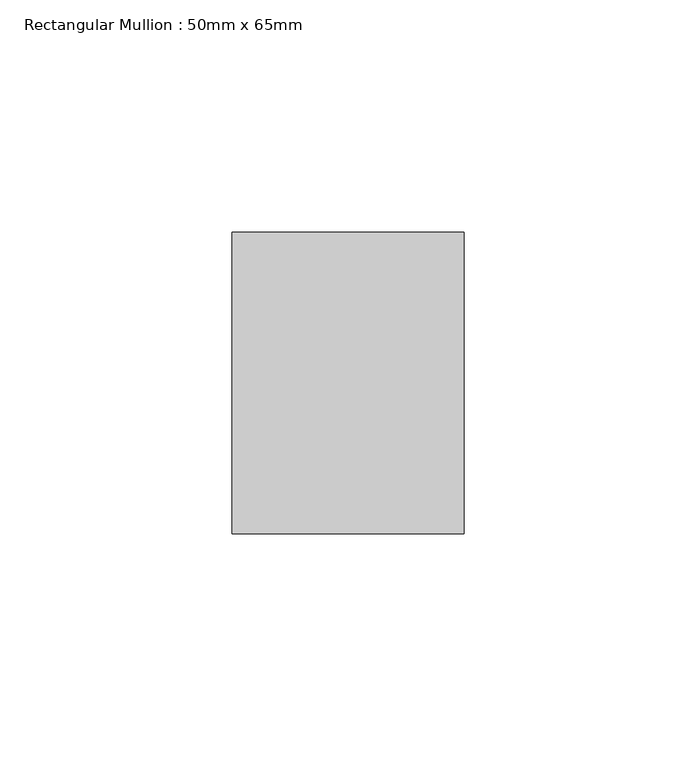
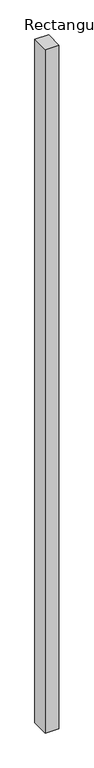
"""IFC4 building model written with IfcOpenShell, lengths in millimetres: member geometry, Rectangular Mullion : 50mm x 65mm."""

from ifc_helpers import new_model, si_unit, frame, origin, place, context, project, spatial, polyline, outline, extrude, source, transform, mapped, element, save


def rectangular_mullion_50mm_x_65mm_8a0588b1(model_context):
    return source(origin(), model_context, "Body", "SweptSolid", [
        extrude(outline(polyline([(25.0, 32.5), (25.0, -32.5), (-25.0, -32.5), (-25.0, 32.5), (25.0, 32.5)])), frame((0.0, 0.0, -2625.0748164), z_axis=(0.0, 0.0, 1.0), x_axis=(1.0, 0.0, 0.0)), (0.0, 0.0, 1.0), 2625.0748164),
    ])


if __name__ == "__main__":
    model = new_model("IFC4")
    model_context = context("Model", 3, world=origin())
    ifc_project = project(units=[si_unit("LENGTHUNIT", "METRE", prefix="MILLI")], contexts=[model_context])
    site = spatial("IfcSite", under=ifc_project)
    building = spatial("IfcBuilding", under=site)
    placement = place(None, origin())
    rectangular_mullion_50mm_x_65mm_shape = rectangular_mullion_50mm_x_65mm_8a0588b1(model_context)
    element("IfcMember", 1, ObjectType="Rectangular Mullion : 50mm x 65mm", at=placement, inside=building, context=model_context, shape_type="MappedRepresentation", body=[
        mapped(rectangular_mullion_50mm_x_65mm_shape, transform((0.0, 0.0, 0.0), x_axis=(1.0, 0.0, 0.0), y_axis=(0.0, 1.0, 0.0), z_axis=(0.0, 0.0, 1.0))),
    ])
    save(model, "model.ifc")
